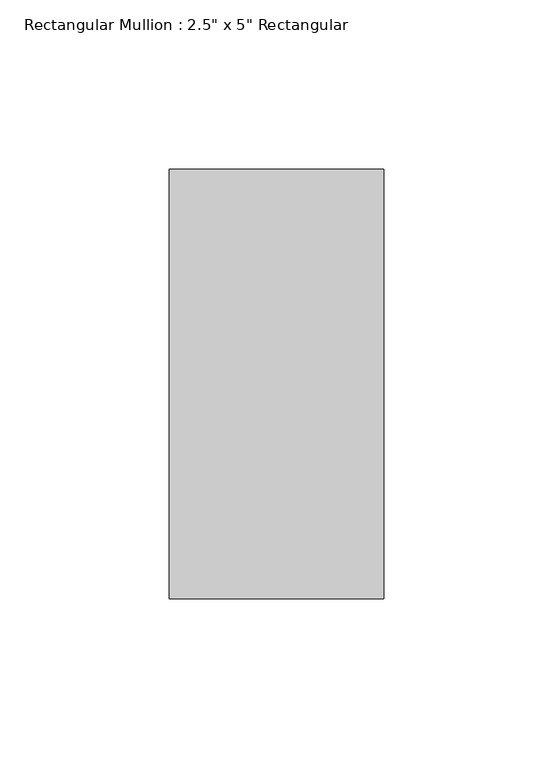
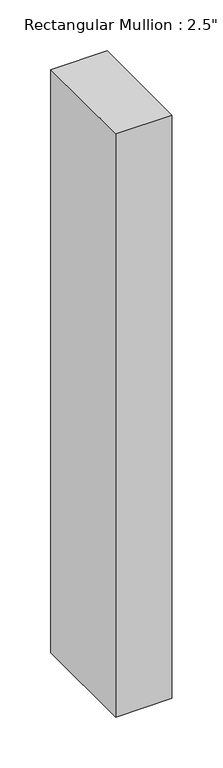
"""IFC4 building model written with IfcOpenShell, lengths in millimetres: member geometry."""

from ifc_helpers import new_model, si_unit, frame, origin, place, context, project, spatial, polyline, outline, extrude, source, transform, mapped, element, save


def member_b955a9e9(model_context):
    return source(origin(), model_context, "Body", "SweptSolid", [
        extrude(outline(polyline([(0.0, 63.5), (0.0, -63.5), (-63.5, -63.5), (-63.5, 63.5), (0.0, 63.5)])), frame((0.0, 0.0, -698.5), z_axis=(0.0, 0.0, 1.0), x_axis=(1.0, 0.0, 0.0)), (0.0, 0.0, 1.0), 698.5),
    ])


if __name__ == "__main__":
    model = new_model("IFC4")
    model_context = context("Model", 3, world=origin())
    ifc_project = project(units=[si_unit("LENGTHUNIT", "METRE", prefix="MILLI")], contexts=[model_context])
    site = spatial("IfcSite", under=ifc_project)
    building = spatial("IfcBuilding", under=site)
    placement = place(None, origin())
    member_shape = member_b955a9e9(model_context)
    element("IfcMember", 1, ObjectType="Rectangular Mullion : 2.5\" x 5\" Rectangular", at=placement, inside=building, context=model_context, shape_type="MappedRepresentation", body=[
        mapped(member_shape, transform((0.0, 0.0, 0.0), x_axis=(1.0, 0.0, 0.0), y_axis=(0.0, 1.0, 0.0), z_axis=(0.0, 0.0, 1.0))),
    ])
    save(model, "model.ifc")
